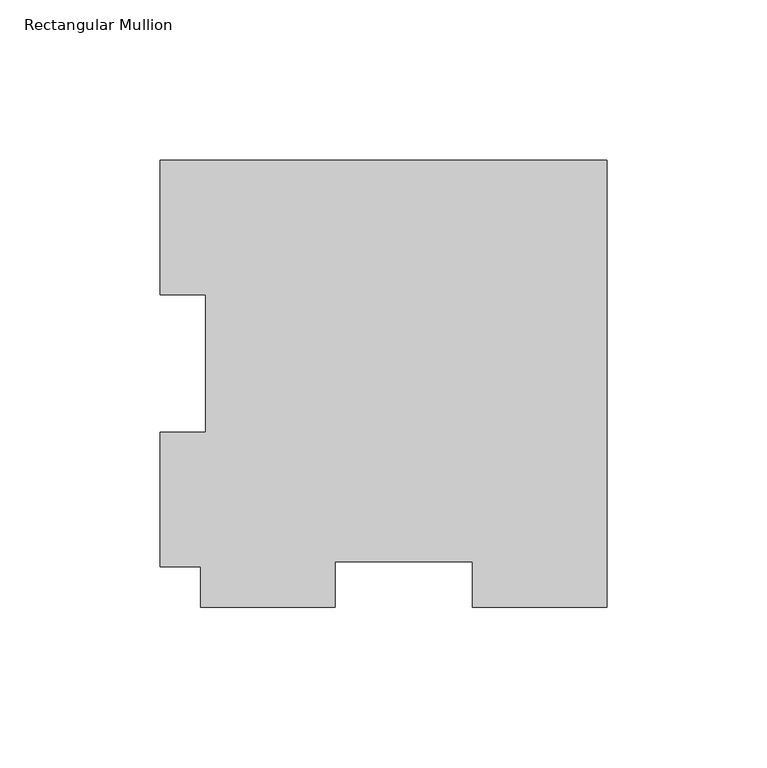
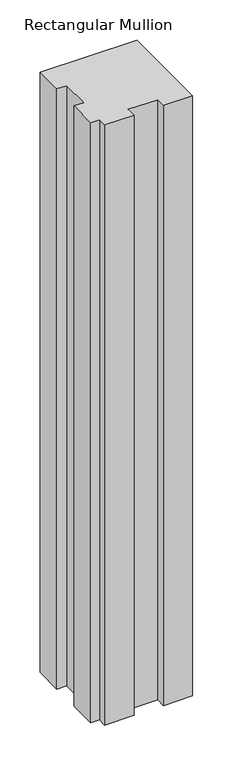
"""IFC4 building model written with IfcOpenShell, lengths in millimetres: member geometry, Rectangular Mullion."""

from ifc_helpers import new_model, si_unit, frame, origin, place, context, project, spatial, polyline, outline, extrude, source, transform, mapped, element, save


def rectangular_mullion_fccfa654(model_context):
    return source(origin(), model_context, "Body", "SweptSolid", [
        extrude(outline(polyline([(-139.7, 126.7086938), (0.0, 126.7086938), (0.0, -12.9913062), (-42.0751, -12.9913062), (-42.0751, 1.2961938), (-84.9249, 1.2961938), (-84.9249, -12.9913062), (-127.0, -12.9913062), (-127.0, -0.2913062), (-139.7, -0.2913062), (-139.7, 41.7837938), (-125.4125, 41.7837938), (-125.4125, 84.6335938), (-139.7, 84.6335938), (-139.7, 126.7086938)])), frame((0.0, 0.0, -914.4), z_axis=(0.0, 0.0, 1.0), x_axis=(1.0, 0.0, 0.0)), (0.0, 0.0, 1.0), 914.4),
    ])


if __name__ == "__main__":
    model = new_model("IFC4")
    model_context = context("Model", 3, world=origin())
    ifc_project = project(units=[si_unit("LENGTHUNIT", "METRE", prefix="MILLI")], contexts=[model_context])
    site = spatial("IfcSite", under=ifc_project)
    building = spatial("IfcBuilding", under=site)
    placement = place(None, origin())
    rectangular_mullion_shape = rectangular_mullion_fccfa654(model_context)
    element("IfcMember", 1, ObjectType="Rectangular Mullion", at=placement, inside=building, context=model_context, shape_type="MappedRepresentation", body=[
        mapped(rectangular_mullion_shape, transform((0.0, 0.0, 0.0), x_axis=(1.0, 0.0, 0.0), y_axis=(0.0, 1.0, 0.0), z_axis=(0.0, 0.0, 1.0))),
    ])
    save(model, "model.ifc")
